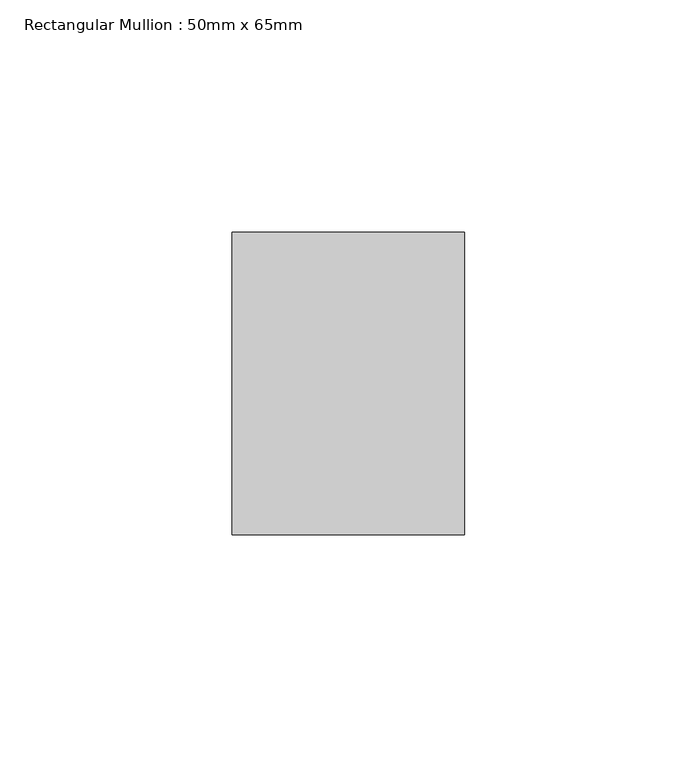
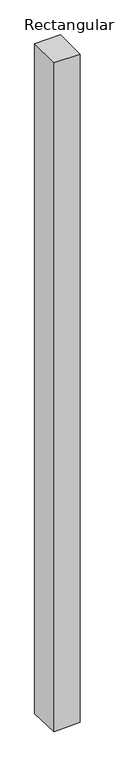
"""IFC4 building model written with IfcOpenShell, lengths in millimetres: member geometry, Rectangular Mullion : 50mm x 65mm."""

from ifc_helpers import new_model, si_unit, origin, place, context, project, spatial, faceted_brep, source, transform, mapped, element, save


def rectangular_mullion_50mm_x_65mm_1de7d940(model_context):
    return source(origin(), model_context, "Body", "Brep", [
        faceted_brep([(25.0, 32.5, 0.0), (-25.0, 32.5, 0.0), (-25.0, -32.5, 0.0), (25.0, -32.5, 0.0), (25.0, 32.5, -1362.5688568), (-25.0, 32.5, -1364.6743584), (-25.0, -32.5, -1362.3890987), (25.0, -32.5, -1360.2835971)], [[[0, 1, 2, 3]], [[1, 0, 4, 5]], [[2, 1, 5, 6]], [[3, 2, 6, 7]], [[0, 3, 7, 4]], [[4, 7, 6, 5]]]),
    ])


if __name__ == "__main__":
    model = new_model("IFC4")
    model_context = context("Model", 3, world=origin())
    ifc_project = project(units=[si_unit("LENGTHUNIT", "METRE", prefix="MILLI")], contexts=[model_context])
    site = spatial("IfcSite", under=ifc_project)
    building = spatial("IfcBuilding", under=site)
    placement = place(None, origin())
    rectangular_mullion_50mm_x_65mm_shape = rectangular_mullion_50mm_x_65mm_1de7d940(model_context)
    element("IfcMember", 1, ObjectType="Rectangular Mullion : 50mm x 65mm", at=placement, inside=building, context=model_context, shape_type="MappedRepresentation", body=[
        mapped(rectangular_mullion_50mm_x_65mm_shape, transform((0.0, 0.0, 0.0), x_axis=(1.0, 0.0, 0.0), y_axis=(0.0, 1.0, 0.0), z_axis=(0.0, 0.0, 1.0))),
    ])
    save(model, "model.ifc")
